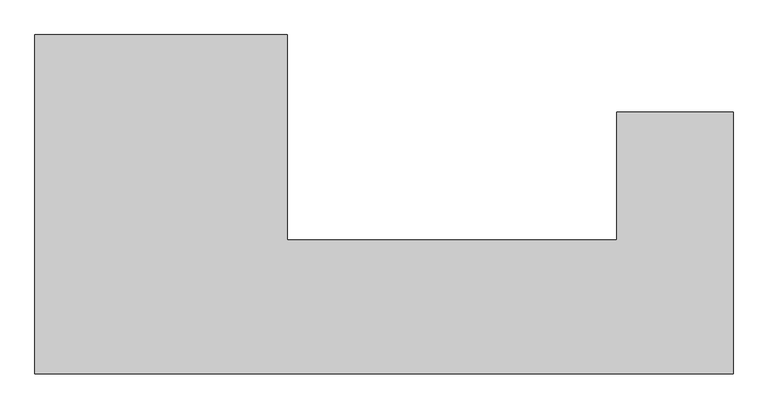
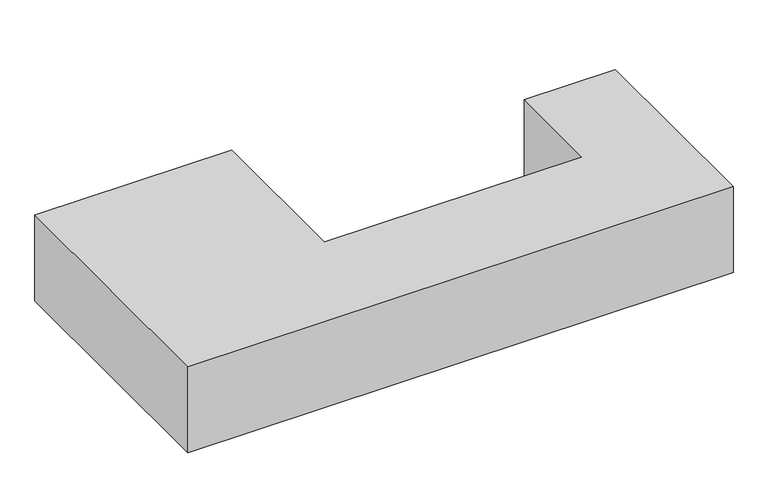
"""IFC4 building model written with IfcOpenShell, lengths in millimetres: proxy geometry."""

from ifc_helpers import new_model, si_unit, origin, origin_with_axes, place, context, project, spatial, polyline, outline, extrude, source, transform, mapped, element, save


def generic_models_71ebf627(model_context):
    return source(origin(), model_context, "Body", "SweptSolid", [
        extrude(outline(polyline([(1300.0, 1750.0), (1300.0, 690.0), (3000.0, 690.0), (3000.0, 1350.0), (3600.0, 1350.0), (3600.0, 0.0), (0.0, 0.0), (0.0, 1750.0), (1300.0, 1750.0)])), origin_with_axes(), (0.0, 0.0, 1.0), 600.0),
    ])


if __name__ == "__main__":
    model = new_model("IFC4")
    model_context = context("Model", 3, world=origin())
    ifc_project = project(units=[si_unit("LENGTHUNIT", "METRE", prefix="MILLI")], contexts=[model_context])
    site = spatial("IfcSite", under=ifc_project)
    building = spatial("IfcBuilding", under=site)
    placement = place(None, origin())
    generic_models_shape = generic_models_71ebf627(model_context)
    element("IfcBuildingElementProxy", 1, Name="Generic Models", at=placement, inside=building, context=model_context, shape_type="MappedRepresentation", body=[
        mapped(generic_models_shape, transform((0.0, 0.0, 0.0), x_axis=(1.0, 0.0, 0.0), y_axis=(0.0, 1.0, 0.0), z_axis=(0.0, 0.0, 1.0))),
    ])
    save(model, "model.ifc")
